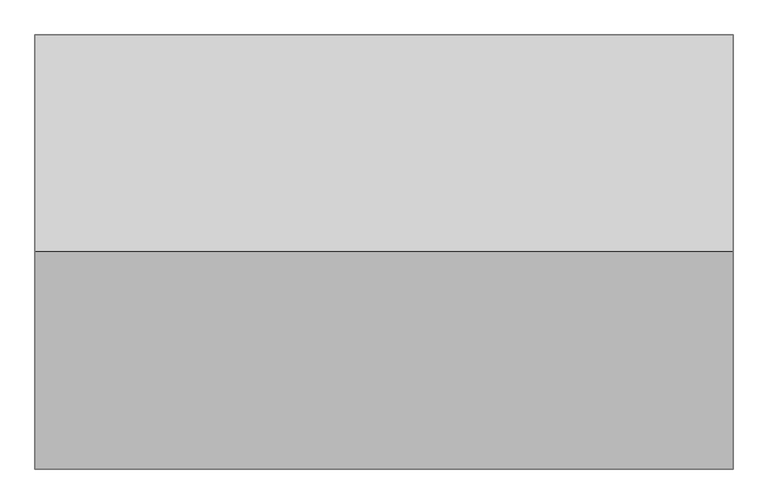
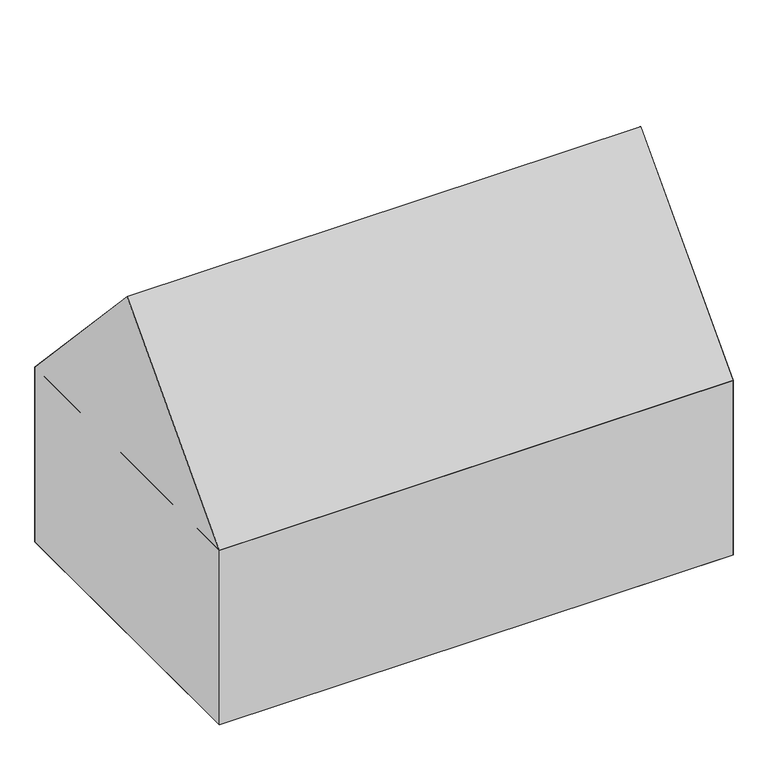
"""IFC4 building model written with IfcOpenShell, lengths in millimetres: geographic element geometry."""

from ifc_helpers import new_model, si_unit, origin, place, context, project, spatial, triangles, source, transform, mapped, element, save


def geographic_element_b4c85ed9(model_context):
    return source(origin(), model_context, "Body", "Tessellation", [
        triangles([(12640.7830719, 590.702389, 4406.2650581), (392.3741604, 4397.9638206, 8499.6335175), (392.3741604, 590.702389, 4406.2650581), (12640.7830719, 4397.9638206, 8499.6335175), (12640.7830719, 8205.225325, 4406.2650581), (392.3741604, 8205.225325, 4406.2650581), (12640.7830719, 8205.225325, 0.0), (392.3741604, 590.702389, 0.0), (392.3741604, 8205.225325, 0.0), (12640.7830719, 590.702389, 0.0)], [[1, 2, 3], [2, 1, 4], [5, 4, 1], [6, 3, 2], [5, 3, 6], [3, 5, 1], [4, 6, 2], [6, 4, 5], [1, 6, 3], [6, 1, 5], [7, 8, 9], [8, 7, 10], [6, 8, 3], [8, 6, 9], [1, 8, 10], [8, 1, 3], [6, 7, 9], [7, 6, 5], [7, 1, 10], [1, 7, 5]], closed=False),
    ])


if __name__ == "__main__":
    model = new_model("IFC4")
    model_context = context("Model", 3, world=origin())
    ifc_project = project(units=[si_unit("LENGTHUNIT", "METRE", prefix="MILLI")], contexts=[model_context])
    site = spatial("IfcSite", under=ifc_project)
    building = spatial("IfcBuilding", under=site)
    placement = place(None, origin())
    geographic_element_shape = geographic_element_b4c85ed9(model_context)
    element("IfcGeographicElement", 1, at=placement, inside=building, context=model_context, shape_type="MappedRepresentation", body=[
        mapped(geographic_element_shape, transform((0.0, 0.0, 0.0), x_axis=(1.0, 0.0, 0.0), y_axis=(0.0, 1.0, 0.0), z_axis=(0.0, 0.0, 1.0))),
    ])
    save(model, "model.ifc")
